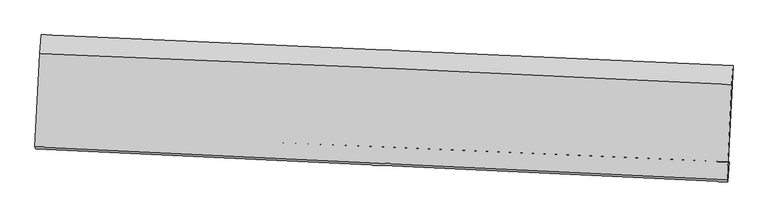
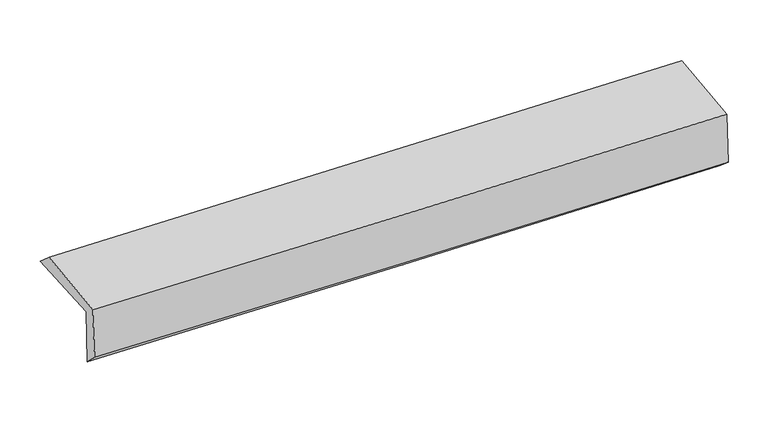
"""IFC4 building model written with IfcOpenShell, lengths in millimetres: proxy geometry."""

from ifc_helpers import new_model, si_unit, frame, origin, place, context, project, spatial, source, transform, mapped, element, save
from ifc_brep_helpers import plane_surface, spline_curve, spline_surface, advanced_brep


def generic_models_a107a3ad(model_context):
    return source(origin(), model_context, "Body", "AdvancedBrep", [
        advanced_brep(
        [(-2392.1150267, -1715.9244019, 2030.4295473), (-2355.5324349, -1040.4308008, 2016.5471843), (2391.1215024, -1251.9088342, 2083.7206921), (2357.1816284, -1912.905142, 2087.3032032), (-2385.3130881, -1714.4246908, 1617.5266544), (2363.9047589, -1913.2422328, 1673.4582778), (-2393.0234497, -1825.466651, 1724.0404646), (2354.952228, -2052.0022613, 1786.4257053), (-2398.4808431, -1811.1478928, 2106.647268), (2349.4253612, -2037.6050283, 2171.0720736), (-2364.4434018, -1170.9489138, 2132.4205259), (2382.5829978, -1382.3589606, 2197.4202813)],
        [
            (0, 1),
            (1, 2, spline_curve(3, [(-2355.5324349, -1040.4308008, 2016.5471843), (-1564.250320217, -1076.464734392, 2013.716695649), (-773.039007868, -1112.105557173, 2017.899746474), (809.178959874, -1182.598172087, 2040.29203339), (1600.185626881, -1217.450027327, 2058.500152204), (2391.1215024, -1251.9088342, 2083.7206921)], [4, 2, 4], [0.0, 7.797089160350229, 15.593556915409135])),
            (2, 3),
            (3, 0, spline_curve(3, [(2357.1816284, -1912.905142, 2087.3032032), (1565.949651352, -1877.220562252, 2067.066937084), (774.574719114, -1842.963807881, 2052.209307175), (-808.524143212, -1777.30333374, 2033.250564517), (-1600.248095762, -1745.899841272, 2029.15030903), (-2392.1150267, -1715.9244019, 2030.4295473)], [4, 2, 4], [0.0, 7.796467755058906, 15.593556915409135])),
            (4, 0),
            (3, 5),
            (5, 4, spline_curve(3, [(2363.9047589, -1913.2422328, 1673.4582778), (1572.66842292, -1876.648913169, 1656.349576719), (781.297877597, -1841.784716246, 1643.134287976), (-801.774716448, -1775.511926575, 1624.489793038), (-1593.476787064, -1744.103609656, 1619.061207114), (-2385.3130881, -1714.4246908, 1617.5266544)], [4, 2, 4], [0.0, 7.797951221629525, 15.596523966787759])),
            (6, 4),
            (5, 7),
            (7, 6, spline_curve(3, [(2354.952228, -2052.0022613, 1786.4257053), (1563.742990423, -2013.364177493, 1770.256670989), (772.48950092, -1975.167902668, 1756.973475995), (-810.169051271, -1899.655962171, 1736.1779355), (-1601.574121013, -1862.340366815, 1728.666050389), (-2393.0234497, -1825.466651, 1724.0404646)], [4, 2, 4], [0.0, 7.797887476385229, 15.596396471218453])),
            (8, 6),
            (7, 9),
            (9, 8, spline_curve(3, [(2349.4253612, -2037.6050283, 2171.0720736), (1558.218003375, -1998.954565167, 2155.243145179), (766.971242929, -1960.758639803, 2141.960059672), (-815.664152358, -1885.272855278, 2120.484718533), (-1607.052793118, -1847.983069209, 2112.29286885), (-2398.4808431, -1811.1478928, 2106.647268)], [4, 2, 4], [0.0, 7.797912579959454, 15.596446680367743])),
            (10, 8),
            (9, 11),
            (11, 10, spline_curve(3, [(2382.5829978, -1382.3589606, 2197.4202813), (1591.787397159, -1341.229928403, 2181.696259512), (800.819834514, -1303.048492965, 2168.417720606), (-781.522271054, -1232.578007577, 2146.750745762), (-1572.896841651, -1200.289427211, 2138.362699529), (-2364.4434018, -1170.9489138, 2132.4205259)], [4, 2, 4], [0.0, 7.796593962087679, 15.593809339525816])),
            (1, 10),
            (11, 2),
        ],
        [
            spline_surface(3, 3, [[(-2392.1150267, -1715.9244019, 2030.4295473), (-1600.248095812, -1745.899841223, 2029.150309096), (-808.524143172, -1777.303333666, 2033.250564477), (774.574719074, -1842.963807955, 2052.209307215), (1565.949651464, -1877.220562263, 2067.06693711), (2357.1816284, -1912.905142, 2087.3032032)], [(-2379.920829434, -1490.759868181, 2025.802092982), (-1588.248837253, -1522.754805553, 2024.005771324), (-796.695764759, -1555.570741472, 2028.133625078), (786.109466014, -1622.841929378, 2048.236882611), (1577.361643244, -1657.297050583, 2064.21134211), (2368.494919745, -1692.573039401, 2086.109032818)], [(-2367.726632166, -1265.595334519, 2021.174638618), (-1576.249578692, -1299.609769942, 2018.861233507), (-784.867386324, -1333.838149255, 2023.01668577), (797.644212977, -1402.720050777, 2044.264458097), (1588.773634989, -1437.373538899, 2061.355747158), (2379.808211055, -1472.240936799, 2084.914862482)], [(-2355.5324349, -1040.4308008, 2016.5471843), (-1564.250320133, -1076.464734272, 2013.716695734), (-773.039007911, -1112.105557061, 2017.899746372), (809.178959917, -1182.598172199, 2040.292033493), (1600.185626768, -1217.450027219, 2058.500152159), (2391.1215024, -1251.9088342, 2083.7206921)]], [4, 4], [4, 2, 4], [0.0, 2.177978265597955], [0.0, 7.797089160350229, 15.593556915409135]),
            spline_surface(3, 3, [[(-2385.3130881, -1714.4246908, 1617.5266544), (-1593.476787089, -1744.103609539, 1619.06120707), (-801.774716558, -1775.511926582, 1624.48979295), (781.297877707, -1841.784716239, 1643.134288064), (1572.668422858, -1876.648913173, 1656.349576679), (2363.9047589, -1913.2422328, 1673.4582778)], [(-2387.580400963, -1714.924594515, 1755.160952013), (-1595.733889993, -1744.702353449, 1755.757574392), (-804.024525397, -1776.109062275, 1760.743383472), (779.056824861, -1842.17774681, 1779.492627794), (1570.428832406, -1876.839462848, 1793.255363495), (2361.663715413, -1913.129869179, 1811.406586273)], [(-2389.847713837, -1715.424498185, 1892.795249687), (-1597.990992908, -1745.301097313, 1892.453941774), (-806.274334333, -1776.706197973, 1896.996973955), (776.81577192, -1842.570777384, 1915.850967485), (1568.189241916, -1877.030012587, 1930.161150293), (2359.422671887, -1913.017505621, 1949.354894727)], [(-2392.1150267, -1715.9244019, 2030.4295473), (-1600.248095812, -1745.899841223, 2029.150309096), (-808.524143172, -1777.303333666, 2033.250564477), (774.574719074, -1842.963807955, 2052.209307215), (1565.949651464, -1877.220562263, 2067.06693711), (2357.1816284, -1912.905142, 2087.3032032)]], [4, 4], [4, 2, 4], [0.0, 1.3417849776031052], [0.0, 7.798572745158234, 15.596523966787759]),
            spline_surface(3, 3, [[(-2393.0234497, -1825.466651, 1724.0404646), (-1601.574120961, -1862.340366792, 1728.666050421), (-810.169051263, -1899.655962152, 1736.177935601), (772.489500912, -1975.167902688, 1756.973475894), (1563.742990455, -2013.364177416, 1770.25667091), (2354.952228, -2052.0022613, 1786.4257053)], [(-2390.453329176, -1788.452664252, 1688.535861212), (-1598.87500968, -1822.92811436, 1692.131102649), (-807.370939721, -1858.274616956, 1698.94855473), (775.425626484, -1930.706840532, 1719.027079963), (1566.718134576, -1967.79242266, 1732.28763948), (2357.936404953, -2005.748918458, 1748.769896114)], [(-2387.883208624, -1751.438677548, 1653.031257788), (-1596.17589837, -1783.515861971, 1655.596154842), (-804.5728281, -1816.893271778, 1661.719173821), (778.361752134, -1886.245778394, 1681.080683995), (1569.693278737, -1922.220667929, 1694.318608109), (2360.920581947, -1959.495575642, 1711.114086986)], [(-2385.3130881, -1714.4246908, 1617.5266544), (-1593.476787089, -1744.103609539, 1619.06120707), (-801.774716558, -1775.511926582, 1624.48979295), (781.297877707, -1841.784716239, 1643.134288064), (1572.668422858, -1876.648913173, 1656.349576679), (2363.9047589, -1913.2422328, 1673.4582778)]], [4, 4], [4, 2, 4], [0.0, 0.5622557554575717], [0.0, 7.798508994833224, 15.596396471218453]),
            spline_surface(3, 3, [[(-2398.4808431, -1811.1478928, 2106.647268), (-1607.052793118, -1847.983069115, 2112.29286892), (-815.664152299, -1885.272855403, 2120.484718595), (766.971242871, -1960.758639678, 2141.96005961), (1558.218003449, -1998.954565258, 2155.243145187), (2349.4253612, -2037.6050283, 2171.0720736)], [(-2396.661711945, -1815.920812201, 1979.111666847), (-1605.226569044, -1852.768835009, 1984.417262733), (-813.832451939, -1890.067224318, 1992.382457575), (768.810662233, -1965.561727347, 2013.631198348), (1560.059665783, -2003.757769335, 2026.914320452), (2351.267650133, -2042.404105991, 2042.856617524)], [(-2394.842580855, -1820.693731599, 1851.576065753), (-1603.400345035, -1857.554600898, 1856.541656607), (-812.000751624, -1894.861593237, 1864.280196622), (770.65008155, -1970.364815019, 1885.302337155), (1561.90132812, -2008.560973339, 1898.585495645), (2353.109939067, -2047.203183609, 1914.641161376)], [(-2393.0234497, -1825.466651, 1724.0404646), (-1601.574120961, -1862.340366792, 1728.666050421), (-810.169051263, -1899.655962152, 1736.177935601), (772.489500912, -1975.167902688, 1756.973475894), (1563.742990455, -2013.364177416, 1770.25667091), (2354.952228, -2052.0022613, 1786.4257053)]], [4, 4], [4, 2, 4], [0.0, 1.2629768801007415], [0.0, 7.798534100408289, 15.596446680367743]),
            spline_surface(3, 3, [[(-2364.4434018, -1170.9489138, 2132.4205259), (-1572.896841748, -1200.289427333, 2138.362699411), (-781.522271178, -1232.578007523, 2146.75074569), (800.819834637, -1303.048493019, 2168.417720678), (1591.78739721, -1341.229928409, 2181.696259508), (2382.5829978, -1382.3589606, 2197.4202813)], [(-2375.789215564, -1384.348573488, 2123.829439965), (-1584.282158868, -1416.187307948, 2129.672755946), (-792.902898223, -1450.142956822, 2137.995403325), (789.536970711, -1522.285208578, 2159.598500322), (1580.597599283, -1560.471474019, 2172.878554728), (2371.53045226, -1600.774316494, 2188.637545393)], [(-2387.135029336, -1597.748233112, 2115.238353935), (-1595.667475998, -1632.085188499, 2120.982812385), (-804.283525255, -1667.707906104, 2129.24006096), (778.254106798, -1741.521924119, 2150.779279966), (1569.407801376, -1779.713019647, 2164.060849967), (2360.47790674, -1819.189672406, 2179.854809507)], [(-2398.4808431, -1811.1478928, 2106.647268), (-1607.052793118, -1847.983069115, 2112.29286892), (-815.664152299, -1885.272855403, 2120.484718595), (766.971242871, -1960.758639678, 2141.96005961), (1558.218003449, -1998.954565258, 2155.243145187), (2349.4253612, -2037.6050283, 2171.0720736)]], [4, 4], [4, 2, 4], [0.0, 2.1542422311285825], [0.0, 7.797215377438136, 15.593809339525816]),
            spline_surface(3, 3, [[(-2355.5324349, -1040.4308008, 2016.5471843), (-1564.250320133, -1076.464734272, 2013.716695734), (-773.039007911, -1112.105557061, 2017.899746372), (809.178959917, -1182.598172199, 2040.292033493), (1600.185626768, -1217.450027219, 2058.500152159), (2391.1215024, -1251.9088342, 2083.7206921)], [(-2358.502757218, -1083.936838463, 2055.171631482), (-1567.132494023, -1117.739631955, 2055.265363608), (-775.866762343, -1152.263040543, 2060.850079505), (806.392584815, -1222.748279134, 2083.000595915), (1597.386216912, -1258.709994292, 2099.565521288), (2388.275334196, -1295.392209677, 2121.620555179)], [(-2361.473079482, -1127.442876137, 2093.796078718), (-1570.014667858, -1159.01452965, 2096.814031538), (-778.694516746, -1192.42052404, 2103.800412557), (803.60620974, -1262.898386084, 2125.709158255), (1594.586807067, -1299.969961335, 2140.63089038), (2385.429166004, -1338.875585123, 2159.520418221)], [(-2364.4434018, -1170.9489138, 2132.4205259), (-1572.896841748, -1200.289427333, 2138.362699411), (-781.522271178, -1232.578007523, 2146.75074569), (800.819834637, -1303.048493019, 2168.417720678), (1591.78739721, -1341.229928409, 2181.696259508), (2382.5829978, -1382.3589606, 2197.4202813)]], [4, 4], [4, 2, 4], [0.0, 0.5784998477679522], [0.0, 7.795745763884245, 15.590870229541952]),
            plane_surface(frame((2366.5280795, -1758.3370765, 1999.9000389), z_axis=(0.9985567876091739, -0.05118428957089235, 0.016263776337935677), x_axis=(0.014357161603583874, -0.037399743729961445, -0.9991972433306758))),
            plane_surface(frame((-2381.4847074, -1546.3905585, 1937.9352741), z_axis=(-0.9984228332392924, 0.053737407150515504, -0.016252296427403536), x_axis=(-0.05406620067550901, -0.9983265482181379, 0.020517043338982244))),
        ],
        [
            (0, [[1, 2, 3, 4]]),
            (1, [[5, -4, 6, 7]]),
            (2, [[8, -7, 9, 10]]),
            (3, [[11, -10, 12, 13]]),
            (4, [[14, -13, 15, 16]]),
            (5, [[17, -16, 18, -2]]),
            (6, [[-12, -9, -6, -3, -18, -15]]),
            (7, [[-1, -5, -8, -11, -14, -17]]),
        ],
    ),
    ])


if __name__ == "__main__":
    model = new_model("IFC4")
    model_context = context("Model", 3, world=origin())
    ifc_project = project(units=[si_unit("LENGTHUNIT", "METRE", prefix="MILLI")], contexts=[model_context])
    site = spatial("IfcSite", under=ifc_project)
    building = spatial("IfcBuilding", under=site)
    placement = place(None, origin())
    generic_models_shape = generic_models_a107a3ad(model_context)
    element("IfcBuildingElementProxy", 1, Name="Generic Models", at=placement, inside=building, context=model_context, shape_type="MappedRepresentation", body=[
        mapped(generic_models_shape, transform((0.0, 0.0, 0.0), x_axis=(1.0, 0.0, 0.0), y_axis=(0.0, 1.0, 0.0), z_axis=(0.0, 0.0, 1.0))),
    ])
    save(model, "model.ifc")
